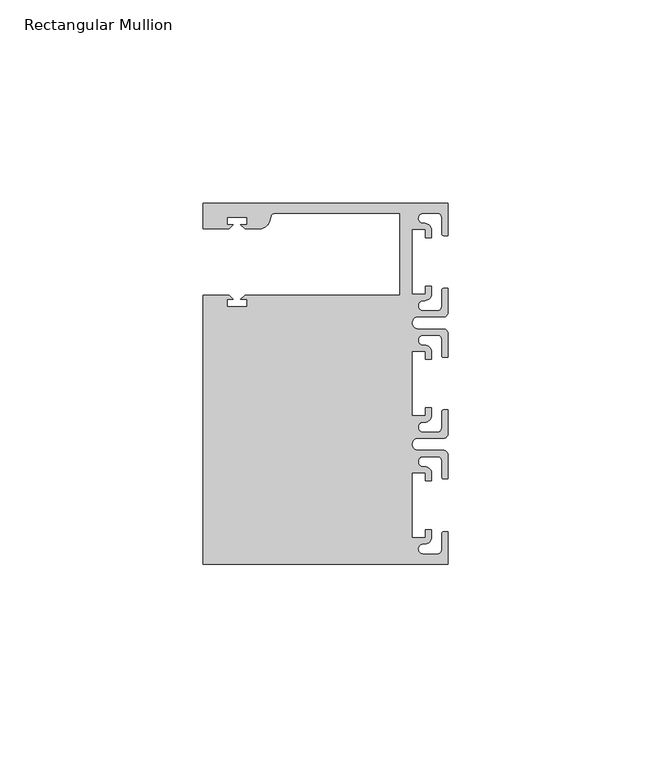
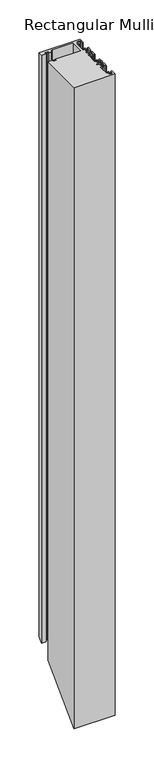
"""IFC4 building model written with IfcOpenShell, lengths in millimetres: member geometry, Rectangular Mullion."""

import ifcopenshell
import ifcopenshell.guid

model = None  # the IFC model being written
_history = None  # IfcOwnerHistory: only IFC2X3 demands one
_inside = {}  # id of a spatial element -> (the spatial element, [elements in it])
_under = {}  # id of a project, library or spatial element -> (it, [spatial elements below it])
_declared = {}  # id of a project -> (the project, [libraries it declares])
_typed = {}  # id of a type object -> (the type object, [elements of that type])
_made_of = {}  # id of a material, layer set ... -> (it, [elements and type objects made of it])


def new_model(schema):
    """Start an empty IFC model of exactly this schema.

    Asked for "IFC4X3", IfcOpenShell would pick the latest addendum, in which some entities
    have other attributes; the version numbers below select the first issue.
    IFC2X3 requires an IfcOwnerHistory on every rooted entity: one is made here for all.
    """
    global model, _history
    if schema == "IFC4X3":
        model = ifcopenshell.file(schema_version=(4, 3, 0, 0))
    else:
        model = ifcopenshell.file(schema=schema)
    _inside.clear()
    _under.clear()
    _declared.clear()
    _typed.clear()
    _made_of.clear()
    _history = None
    if model.schema == "IFC2X3":
        org = make("IfcOrganization", Name="unknown")
        user = make(
            "IfcPersonAndOrganization",
            ThePerson=make("IfcPerson", FamilyName="unknown"),
            TheOrganization=org,
        )
        app = make(
            "IfcApplication",
            ApplicationDeveloper=org,
            Version="unknown",
            ApplicationFullName="unknown",
            ApplicationIdentifier="unknown",
        )
        _history = make(
            "IfcOwnerHistory",
            OwningUser=user,
            OwningApplication=app,
            ChangeAction="ADDED",
            CreationDate=0,
        )
    return model


def make(cls, **values):
    """One entity of the class cls with the attributes given. An attribute that is None is left unset."""
    return model.create_entity(
        cls, **{name: value for name, value in values.items() if value is not None}
    )


def rooted(cls, **values):
    """An entity with a GlobalId (a new one), such as an element, a storey or a relation."""
    return make(cls, GlobalId=ifcopenshell.guid.new(), OwnerHistory=_history, **values)


def si_unit(unit_type, name, prefix=None):
    """IfcSIUnit, for example si_unit("LENGTHUNIT", "METRE", prefix="MILLI")."""
    return make("IfcSIUnit", UnitType=unit_type, Prefix=prefix, Name=name)


def assignment(units):
    """IfcUnitAssignment: the units of a project."""
    return None if units is None else make("IfcUnitAssignment", Units=units)


def point(xyz):
    """IfcCartesianPoint."""
    return None if xyz is None else make("IfcCartesianPoint", Coordinates=xyz)


def direction(xyz):
    """IfcDirection."""
    return None if xyz is None else make("IfcDirection", DirectionRatios=xyz)


def frame(location, z_axis=None, x_axis=None):
    """IfcAxis2Placement3D, a coordinate frame: its origin and axes. An axis left out is left unset."""
    return make(
        "IfcAxis2Placement3D",
        Location=point(location),
        Axis=direction(z_axis),
        RefDirection=direction(x_axis),
    )


def origin():
    """The frame at (0, 0, 0) with its axes left unset."""
    return frame((0.0, 0.0, 0.0))


def place(relative_to, where):
    """IfcLocalPlacement: puts the frame where relative to a parent placement (None: the world)."""
    return make(
        "IfcLocalPlacement", PlacementRelTo=relative_to, RelativePlacement=where
    )


def context(
    kind, dimensions, precision=None, world=None, true_north=None, identifier=None
):
    """IfcGeometricRepresentationContext, for example the 3D "Model" context."""
    return make(
        "IfcGeometricRepresentationContext",
        ContextIdentifier=identifier,
        ContextType=kind,
        CoordinateSpaceDimension=dimensions,
        Precision=precision,
        WorldCoordinateSystem=world,
        TrueNorth=true_north,
    )


def project(units=None, contexts=None):
    """IfcProject with its units and contexts."""
    return rooted(
        "IfcProject",
        Name="project",
        RepresentationContexts=contexts,
        UnitsInContext=assignment(units),
    )


def spatial(cls, under=None, at=None, **own):
    """A site, building, storey or space (cls), placed at a placement, below another one or the project."""
    s = rooted(cls, ObjectPlacement=at, **own)
    if under is not None:
        _under.setdefault(under.id(), (under, []))[1].append(s)
    return s


def polyline(points):
    """IfcPolyline through the points."""
    return make("IfcPolyline", Points=[point(p) for p in points])


def circle_curve(where, radius):
    """IfcCircle in the frame where."""
    return make("IfcCircle", Position=where, Radius=radius)


def ellipse_curve(where, semi_axis1, semi_axis2):
    """IfcEllipse in the frame where."""
    return make(
        "IfcEllipse", Position=where, SemiAxis1=semi_axis1, SemiAxis2=semi_axis2
    )


def shape(context_of_items, identifier, shape_type, items):
    """IfcShapeRepresentation: the items that make up one representation, for example the "Body"."""
    return make(
        "IfcShapeRepresentation",
        ContextOfItems=context_of_items,
        RepresentationIdentifier=identifier,
        RepresentationType=shape_type,
        Items=items,
    )


def source(mapping_origin, context_of_items, identifier, shape_type, items):
    """IfcRepresentationMap: a shape defined once, which mapped items show again and again."""
    return make(
        "IfcRepresentationMap",
        MappingOrigin=mapping_origin,
        MappedRepresentation=shape(context_of_items, identifier, shape_type, items),
    )


def transform(
    local_origin,
    x_axis=None,
    y_axis=None,
    z_axis=None,
    scale=None,
    scale2=None,
    scale3=None,
    uniform=True,
):
    """IfcCartesianTransformationOperator3D, or its non-uniform kind. x_axis, y_axis, z_axis: its Axis1, 2, 3."""
    if uniform:
        return make(
            "IfcCartesianTransformationOperator3D",
            Axis1=direction(x_axis),
            Axis2=direction(y_axis),
            LocalOrigin=point(local_origin),
            Scale=scale,
            Axis3=direction(z_axis),
        )
    return make(
        "IfcCartesianTransformationOperator3DnonUniform",
        Axis1=direction(x_axis),
        Axis2=direction(y_axis),
        LocalOrigin=point(local_origin),
        Scale=scale,
        Axis3=direction(z_axis),
        Scale2=scale2,
        Scale3=scale3,
    )


def mapped(mapping_source, mapping_target):
    """IfcMappedItem: shows the shape of a source again, moved by a transform."""
    return make(
        "IfcMappedItem", MappingSource=mapping_source, MappingTarget=mapping_target
    )


def made_of(thing, what):
    """Note that an element or type object is made of a material, layer set ...; save() writes the relation."""
    if what is not None:
        _made_of.setdefault(what.id(), (what, []))[1].append(thing)
    return thing


def element(
    cls,
    number,
    at=None,
    inside=None,
    cuts=None,
    type_object=None,
    material=None,
    context=None,
    identifier="Body",
    shape_type=None,
    held_by="IfcProductDefinitionShape",
    body=None,
    shapes=None,
    **own,
):
    """One element of the class cls, such as IfcWall. Its Tag is "e" and its number.

    at: its placement. inside: the storey or other place that contains it. cuts: it is an
    opening in that element (IfcRelVoidsElement). A single representation is given by context,
    identifier, shape_type and body (its items); several are given by shapes. held_by: the class
    of the entity that holds the representations. save() writes the other relations.
    """
    e = rooted(cls, Tag="e%d" % number, ObjectPlacement=at, **own)
    if body is not None:
        shapes = [shape(context, identifier, shape_type, body)]
    if shapes is not None:
        e.Representation = make(held_by, Representations=shapes)
    if inside is not None:
        _inside.setdefault(inside.id(), (inside, []))[1].append(e)
    if cuts is not None:
        rooted(
            "IfcRelVoidsElement", RelatingBuildingElement=cuts, RelatedOpeningElement=e
        )
    if type_object is not None:
        _typed.setdefault(type_object.id(), (type_object, []))[1].append(e)
    return made_of(e, material)


def aggregate(whole, parts):
    """IfcRelAggregates: a whole, such as a stair, and the parts it consists of."""
    return rooted("IfcRelAggregates", RelatingObject=whole, RelatedObjects=parts)


def save(model, path):
    """Write the relations noted so far, then the file.

    IfcRelAggregates (storeys below a building ...), IfcRelContainedInSpatialStructure (elements
    in a storey), IfcRelDefinesByType, IfcRelAssociatesMaterial and IfcRelDeclares: one each for
    every whole, place, type object, material and project.
    """
    for whole, parts in _under.values():
        aggregate(whole, parts)
    for where, things in _inside.values():
        rooted(
            "IfcRelContainedInSpatialStructure",
            RelatedElements=things,
            RelatingStructure=where,
        )
    for kind, things in _typed.values():
        rooted("IfcRelDefinesByType", RelatedObjects=things, RelatingType=kind)
    for what, things in _made_of.values():
        rooted("IfcRelAssociatesMaterial", RelatedObjects=things, RelatingMaterial=what)
    for by, libraries in _declared.values():
        rooted("IfcRelDeclares", RelatingContext=by, RelatedDefinitions=libraries)
    model.write(path)


def plane_surface(at):
    """IfcPlane: the flat surface through the origin of the frame at, square to its z axis."""
    return make("IfcPlane", Position=at)


def cylinder_surface(at, radius):
    """IfcCylindricalSurface: all points at the distance radius from the z axis of the frame at."""
    return make("IfcCylindricalSurface", Position=at, Radius=radius)


def revolved_surface(curve, axis_point, axis_direction):
    """IfcSurfaceOfRevolution: the curve turned about the line through axis_point along axis_direction."""
    return make(
        "IfcSurfaceOfRevolution",
        SweptCurve=make("IfcArbitraryOpenProfileDef", ProfileType="CURVE", Curve=curve),
        AxisPosition=make("IfcAxis1Placement", Location=point(axis_point), Axis=direction(axis_direction)),
    )


def advanced_brep(points, edges, surfaces, faces):
    """IfcAdvancedBrep: a solid bounded by faces that lie on surfaces and meet in shared edges.

    An edge is (start, end): straight between two places in points (the first is 0);
    or (start, end, curve); or (start, end, curve, False) where it runs against its curve.
    A face is (place in surfaces, loops), or (place, loops, False) where it looks against
    its surface's normal. A loop lists edges by number (the first is 1), with a minus sign
    where the edge is run from its end to its start. The first loop is the outer one.
    """
    corners = [point(p) for p in points]
    vertices = [make("IfcVertexPoint", VertexGeometry=c) for c in corners]
    made = []
    for start, end, *more in edges:
        made.append(
            make(
                "IfcEdgeCurve",
                EdgeStart=vertices[start],
                EdgeEnd=vertices[end],
                EdgeGeometry=more[0] if more else make("IfcPolyline", Points=[corners[start], corners[end]]),
                SameSense=more[1] if len(more) > 1 else True,
            )
        )
    hull = []
    for where, loops, *sense in faces:
        bounds = []
        for j, loop in enumerate(loops):
            ring = [make("IfcOrientedEdge", EdgeElement=made[abs(k) - 1], Orientation=k > 0) for k in loop]
            bounds.append(
                make(
                    "IfcFaceOuterBound" if j == 0 else "IfcFaceBound",
                    Bound=make("IfcEdgeLoop", EdgeList=ring),
                    Orientation=True,
                )
            )
        hull.append(make("IfcAdvancedFace", Bounds=bounds, FaceSurface=surfaces[where], SameSense=sense[0] if sense else True))
    return make("IfcAdvancedBrep", Outer=make("IfcClosedShell", CfsFaces=hull))


def rectangular_mullion_6251fd84(model_context):
    return source(origin(), model_context, "Body", "AdvancedBrep", [
        advanced_brep(
        [(0.0, 44.45, 0.0), (-60.3249977, 44.45, 0.0), (-60.3249977, 38.1499897, 0.0), (-53.8507531, 38.1499897, 0.0), (-52.8507405, 39.1500023, 0.0), (-54.4249778, 39.1500023, 0.0), (-54.4249778, 40.9498819, 0.0), (-49.4249831, 40.9498819, 0.0), (-49.4249831, 39.1500023, 0.0), (-50.999256, 39.1500023, 0.0), (-49.9992503, 38.1499966, 0.0), (-46.3137853, 38.1499966, 0.0), (-43.8989707, 40.002949, 0.0), (-43.5758588, 41.2088192, 0.0), (-42.6099329, 41.9500001, 0.0), (-11.8, 41.95, 0.0), (-11.8, 21.7499959, 0.0), (-49.9992434, 21.7499959, 0.0), (-50.999256, 20.7499834, 0.0), (-49.4250186, 20.7499834, 0.0), (-49.4250186, 18.949936, 0.0), (-54.4250134, 18.949936, 0.0), (-54.4250134, 20.7499834, 0.0), (-52.8507405, 20.7499834, 0.0), (-53.8507562, 21.749999, 0.0), (-60.325, 21.749999, 0.0), (-60.325, -44.45, 0.0), (0.0, -44.45, 0.0), (0.0, -36.4500318, 0.0), (-1.0, -36.4500318, 0.0), (-1.5, -36.9500318, 0.0), (-1.5, -40.95, 0.0), (-2.5, -41.95, 0.0), (-6.0499986, -41.95, 0.0), (-5.9027291, -39.4587029, 0.0), (-4.0000054, -37.7499972, 0.0), (-4.0000054, -35.9500318, 0.0), (-5.5, -35.9500318, 0.0), (-5.5, -37.9499972, 0.0), (-8.8585786, -37.9499972, 0.0), (-8.8585786, -21.9499956, 0.0), (-5.5, -21.9499956, 0.0), (-5.5, -23.9499611, 0.0), (-3.9999946, -23.9499611, 0.0), (-3.9999946, -22.0272972, 0.0), (-6.0499986, -20.4499956, 0.0), (-6.0499986, -17.9499929, 0.0), (-2.5, -17.9499929, 0.0), (-1.5, -18.9499929, 0.0), (-1.5, -22.9499611, 0.0), (-1.0, -23.4499611, 0.0), (0.0, -23.4499611, 0.0), (0.0, -17.4499929, 0.0), (-1.0, -16.4499929, 0.0), (-7.3, -16.4499929, 0.0), (-7.3046244, -13.45, 0.0), (-1.0, -13.45, 0.0), (0.0, -12.45, 0.0), (0.0, -6.4500354, 0.0), (-0.9999964, -6.4500354, 0.0), (-1.4999964, -6.9500354, 0.0), (-1.4999964, -10.95, 0.0), (-2.4999964, -11.95, 0.0), (-6.0499986, -11.95, 0.0), (-6.0499986, -9.4499972, 0.0), (-4.0000054, -7.7499972, 0.0), (-4.0000054, -5.9500318, 0.0), (-5.5, -5.9500318, 0.0), (-5.5, -7.9499972, 0.0), (-8.8, -7.9499972, 0.0), (-8.8, 7.9499972, 0.0), (-5.5, 7.9499972, 0.0), (-5.5, 5.9500318, 0.0), (-4.0000054, 5.9500318, 0.0), (-4.0000054, 7.7499972, 0.0), (-6.0499986, 9.4499972, 0.0), (-6.0499986, 11.95, 0.0), (-2.4999964, 11.95, 0.0), (-1.4999964, 10.95, 0.0), (-1.4999964, 6.9500354, 0.0), (-0.9999964, 6.4500354, 0.0), (0.0, 6.4500354, 0.0), (0.0, 12.45, 0.0), (-1.0, 13.45, 0.0), (-7.3046244, 13.45, 0.0), (-7.3, 16.4499929, 0.0), (-1.0, 16.4499929, 0.0), (0.0, 17.4499929, 0.0), (0.0, 23.4499611, 0.0), (-1.0, 23.4499611, 0.0), (-1.5, 22.9499611, 0.0), (-1.5, 18.9499929, 0.0), (-2.5, 17.9499929, 0.0), (-6.0499986, 17.9499929, 0.0), (-6.0499986, 20.4499956, 0.0), (-3.9999946, 22.0272972, 0.0), (-3.9999946, 23.9499611, 0.0), (-5.5, 23.9499611, 0.0), (-5.5, 21.9499956, 0.0), (-8.8585786, 21.9499956, 0.0), (-8.8585786, 37.9499972, 0.0), (-5.5, 37.9499972, 0.0), (-5.5, 35.9500318, 0.0), (-4.0000054, 35.9500318, 0.0), (-4.0000054, 37.7499972, 0.0), (-5.9027291, 39.4587029, 0.0), (-6.0499986, 41.95, 0.0), (-2.5, 41.95, 0.0), (-1.5, 40.95, 0.0), (-1.5, 36.9500318, 0.0), (-1.0, 36.4500318, 0.0), (0.0, 36.4500318, 0.0), (0.0, 44.45, -908.05), (-60.3249977, 44.45, -908.05), (-60.3249977, 38.1499897, -914.3500103), (-53.8507531, 38.1499897, -914.3500103), (-52.8507405, 39.1500023, -913.3499977), (-54.4249778, 39.1500023, -913.3499977), (-54.4249778, 40.9498819, -911.5501181), (-49.4249831, 40.9498819, -911.5501181), (-49.4249831, 39.1500023, -913.3499977), (-50.999256, 39.1500023, -913.3499977), (-49.9992503, 38.1499966, -914.3500034), (-46.3137853, 38.1499966, -914.3500034), (-43.8989707, 40.002949, -912.497051), (-43.5758588, 41.2088192, -911.2911808), (-42.6099329, 41.9500001, -910.5499999), (-11.8, 41.95, -910.55), (-11.8, 21.7499959, -930.7500041), (-49.9992434, 21.7499959, -930.7500041), (-50.999256, 20.7499834, -931.7500166), (-49.4250186, 20.7499834, -931.7500166), (-49.4250186, 18.949936, -933.550064), (-54.4250134, 18.949936, -933.550064), (-54.4250134, 20.7499834, -931.7500166), (-52.8507405, 20.7499834, -931.7500166), (-53.8507562, 21.749999, -930.750001), (-60.325, 21.749999, -930.750001), (-60.325, -44.45, -996.95), (0.0, -44.45, -996.95), (0.0, -36.4500318, -988.9500318), (-1.0, -36.4500318, -988.9500318), (-1.5, -36.9500318, -989.4500318), (-1.5, -40.95, -993.45), (-2.5, -41.95, -994.45), (-6.0499986, -41.95, -994.45), (-5.9027291, -39.4587029, -991.9587029), (-4.0000054, -37.7499972, -990.2499972), (-4.0000054, -35.9500318, -988.4500318), (-5.5, -35.9500318, -988.4500318), (-5.5, -37.9499972, -990.4499972), (-8.8585786, -37.9499972, -990.4499972), (-8.8585786, -21.9499956, -974.4499956), (-5.5, -21.9499956, -974.4499956), (-5.5, -23.9499611, -976.4499611), (-3.9999946, -23.9499611, -976.4499611), (-3.9999946, -22.0272972, -974.5272972), (-6.0499986, -20.4499956, -972.9499956), (-6.0499986, -17.9499929, -970.4499929), (-2.5, -17.9499929, -970.4499929), (-1.5, -18.9499929, -971.4499929), (-1.5, -22.9499611, -975.4499611), (-1.0, -23.4499611, -975.9499611), (0.0, -23.4499611, -975.9499611), (0.0, -17.4499929, -969.9499929), (-1.0, -16.4499929, -968.9499929), (-7.3, -16.4499929, -968.9499929), (-7.3046244, -13.45, -965.95), (-1.0, -13.45, -965.95), (0.0, -12.45, -964.95), (0.0, -6.4500354, -958.9500354), (-0.9999964, -6.4500354, -958.9500354), (-1.4999964, -6.9500354, -959.4500354), (-1.4999964, -10.95, -963.45), (-2.4999964, -11.95, -964.45), (-6.0499986, -11.95, -964.45), (-6.0499986, -9.4499972, -961.9499972), (-4.0000054, -7.7499972, -960.2499972), (-4.0000054, -5.9500318, -958.4500318), (-5.5, -5.9500318, -958.4500318), (-5.5, -7.9499972, -960.4499972), (-8.8, -7.9499972, -960.4499972), (-8.8, 7.9499972, -944.5500028), (-5.5, 7.9499972, -944.5500028), (-5.5, 5.9500318, -946.5499682), (-4.0000054, 5.9500318, -946.5499682), (-4.0000054, 7.7499972, -944.7500028), (-6.0499986, 9.4499972, -943.0500028), (-6.0499986, 11.95, -940.55), (-2.4999964, 11.95, -940.55), (-1.4999964, 10.95, -941.55), (-1.4999964, 6.9500354, -945.5499646), (-0.9999964, 6.4500354, -946.0499646), (0.0, 6.4500354, -946.0499646), (0.0, 12.45, -940.05), (-1.0, 13.45, -939.05), (-7.3046244, 13.45, -939.05), (-7.3, 16.4499929, -936.0500071), (-1.0, 16.4499929, -936.0500071), (0.0, 17.4499929, -935.0500071), (0.0, 23.4499611, -929.0500389), (-1.0, 23.4499611, -929.0500389), (-1.5, 22.9499611, -929.5500389), (-1.5, 18.9499929, -933.5500071), (-2.5, 17.9499929, -934.5500071), (-6.0499986, 17.9499929, -934.5500071), (-6.0499986, 20.4499956, -932.0500044), (-3.9999946, 22.0272972, -930.4727028), (-3.9999946, 23.9499611, -928.5500389), (-5.5, 23.9499611, -928.5500389), (-5.5, 21.9499956, -930.5500044), (-8.8585786, 21.9499956, -930.5500044), (-8.8585786, 37.9499972, -914.5500028), (-5.5, 37.9499972, -914.5500028), (-5.5, 35.9500318, -916.5499682), (-4.0000054, 35.9500318, -916.5499682), (-4.0000054, 37.7499972, -914.7500028), (-5.9027291, 39.4587029, -913.0412971), (-6.0499986, 41.95, -910.55), (-2.5, 41.95, -910.55), (-1.5, 40.95, -911.55), (-1.5, 36.9500318, -915.5499682), (-1.0, 36.4500318, -916.0499682), (0.0, 36.4500318, -916.0499682)],
        [
            (0, 1),
            (1, 2),
            (2, 3),
            (3, 4),
            (4, 5),
            (5, 6),
            (6, 7),
            (7, 8),
            (8, 9),
            (9, 10),
            (10, 11),
            (11, 12, circle_curve(frame((-46.3137853, 40.6499966, 0.0), z_axis=(0.0, 0.0, 1.0), x_axis=(0.0, -1.0, 0.0)), 2.5)),
            (12, 13),
            (13, 14, circle_curve(frame((-42.6099329, 40.9500001, 0.0), z_axis=(0.0, 0.0, -1.0), x_axis=(0.0, -1.0, 0.0)), 1.0)),
            (14, 15),
            (15, 16),
            (16, 17),
            (17, 18),
            (18, 19),
            (19, 20),
            (20, 21),
            (21, 22),
            (22, 23),
            (23, 24),
            (24, 25),
            (25, 26),
            (26, 27),
            (27, 28),
            (28, 29),
            (29, 30, circle_curve(frame((-1.0, -36.9500318, 0.0), z_axis=(0.0, 0.0, 1.0), x_axis=(0.0, 1.0, 0.0)), 0.5)),
            (30, 31),
            (31, 32, circle_curve(frame((-2.5, -40.95, 0.0), z_axis=(0.0, 0.0, -1.0), x_axis=(0.0, 1.0, 0.0)), 1.0)),
            (32, 33),
            (33, 34, circle_curve(frame((-6.0499986, -40.6999986, 0.0), z_axis=(0.0, 0.0, -1.0), x_axis=(0.0, 1.0, 0.0)), 1.2500014)),
            (34, 35, circle_curve(frame((-5.7186029, -37.7499972, 0.0), z_axis=(0.0, 0.0, 1.0), x_axis=(1.0, 0.0, 0.0)), 1.7185975)),
            (35, 36),
            (36, 37),
            (37, 38),
            (38, 39),
            (39, 40),
            (40, 41),
            (41, 42),
            (42, 43),
            (43, 44),
            (44, 45, circle_curve(frame((-5.7543344, -22.1865598, 0.0), z_axis=(0.0, 0.0, 1.0), x_axis=(1.0, 0.0, 0.0)), 1.761554)),
            (45, 46, circle_curve(frame((-6.0499986, -19.1999942, 0.0), z_axis=(0.0, 0.0, -1.0), x_axis=(0.0, 1.0, 0.0)), 1.2500014)),
            (46, 47),
            (47, 48, circle_curve(frame((-2.5, -18.9499929, 0.0), z_axis=(0.0, 0.0, -1.0), x_axis=(0.0, 1.0, 0.0)), 1.0)),
            (48, 49),
            (49, 50, circle_curve(frame((-1.0, -22.9499611, 0.0), z_axis=(0.0, 0.0, 1.0), x_axis=(0.0, 1.0, 0.0)), 0.5)),
            (50, 51),
            (51, 52),
            (52, 53, circle_curve(frame((-1.0, -17.4499929, 0.0), z_axis=(0.0, 0.0, 1.0), x_axis=(0.0, 1.0, 0.0)), 1.0)),
            (53, 54),
            (54, 55, circle_curve(frame((-7.3, -14.9499929, 0.0), z_axis=(0.0, 0.0, -1.0), x_axis=(0.0, 1.0, 0.0)), 1.5)),
            (55, 56),
            (56, 57, circle_curve(frame((-1.0, -12.45, 0.0), z_axis=(0.0, 0.0, 1.0), x_axis=(0.0, 1.0, 0.0)), 1.0)),
            (57, 58),
            (58, 59),
            (59, 60, circle_curve(frame((-0.9999964, -6.9500354, 0.0), z_axis=(0.0, 0.0, 1.0), x_axis=(0.0, 1.0, 0.0)), 0.5)),
            (60, 61),
            (61, 62, circle_curve(frame((-2.4999964, -10.95, 0.0), z_axis=(0.0, 0.0, -1.0), x_axis=(0.0, 1.0, 0.0)), 1.0)),
            (62, 63),
            (63, 64, circle_curve(frame((-6.0499986, -10.6999986, 0.0), z_axis=(0.0, 0.0, -1.0), x_axis=(0.0, 1.0, 0.0)), 1.2500014)),
            (64, 65, circle_curve(frame((-5.7298824, -7.7499972, 0.0), z_axis=(0.0, 0.0, 1.0), x_axis=(1.0, 0.0, 0.0)), 1.729877)),
            (65, 66),
            (66, 67),
            (67, 68),
            (68, 69),
            (69, 70),
            (70, 71),
            (71, 72),
            (72, 73),
            (73, 74),
            (74, 75, circle_curve(frame((-5.7298824, 7.7499972, 0.0), z_axis=(0.0, 0.0, 1.0), x_axis=(1.0, 0.0, 0.0)), 1.729877)),
            (75, 76, circle_curve(frame((-6.0499986, 10.6999986, 0.0), z_axis=(0.0, 0.0, -1.0), x_axis=(0.0, -1.0, 0.0)), 1.2500014)),
            (76, 77),
            (77, 78, circle_curve(frame((-2.4999964, 10.95, 0.0), z_axis=(0.0, 0.0, -1.0), x_axis=(0.0, -1.0, 0.0)), 1.0)),
            (78, 79),
            (79, 80, circle_curve(frame((-0.9999964, 6.9500354, 0.0), z_axis=(0.0, 0.0, 1.0), x_axis=(0.0, -1.0, 0.0)), 0.5)),
            (80, 81),
            (81, 82),
            (82, 83, circle_curve(frame((-1.0, 12.45, 0.0), z_axis=(0.0, 0.0, 1.0), x_axis=(0.0, -1.0, 0.0)), 1.0)),
            (83, 84),
            (84, 85, circle_curve(frame((-7.3, 14.9499929, 0.0), z_axis=(0.0, 0.0, -1.0), x_axis=(0.0, -1.0, 0.0)), 1.5)),
            (85, 86),
            (86, 87, circle_curve(frame((-1.0, 17.4499929, 0.0), z_axis=(0.0, 0.0, 1.0), x_axis=(0.0, -1.0, 0.0)), 1.0)),
            (87, 88),
            (88, 89),
            (89, 90, circle_curve(frame((-1.0, 22.9499611, 0.0), z_axis=(0.0, 0.0, 1.0), x_axis=(0.0, -1.0, 0.0)), 0.5)),
            (90, 91),
            (91, 92, circle_curve(frame((-2.5, 18.9499929, 0.0), z_axis=(0.0, 0.0, -1.0), x_axis=(0.0, -1.0, 0.0)), 1.0)),
            (92, 93),
            (93, 94, circle_curve(frame((-6.0499986, 19.1999942, 0.0), z_axis=(0.0, 0.0, -1.0), x_axis=(0.0, -1.0, 0.0)), 1.2500014)),
            (94, 95, circle_curve(frame((-5.7543344, 22.1865598, 0.0), z_axis=(0.0, 0.0, 1.0), x_axis=(1.0, 0.0, 0.0)), 1.761554)),
            (95, 96),
            (96, 97),
            (97, 98),
            (98, 99),
            (99, 100),
            (100, 101),
            (101, 102),
            (102, 103),
            (103, 104),
            (104, 105, circle_curve(frame((-5.7186029, 37.7499972, 0.0), z_axis=(0.0, 0.0, 1.0), x_axis=(1.0, 0.0, 0.0)), 1.7185975)),
            (105, 106, circle_curve(frame((-6.0499986, 40.6999986, 0.0), z_axis=(0.0, 0.0, -1.0), x_axis=(0.0, -1.0, 0.0)), 1.2500014)),
            (106, 107),
            (107, 108, circle_curve(frame((-2.5, 40.95, 0.0), z_axis=(0.0, 0.0, -1.0), x_axis=(0.0, -1.0, 0.0)), 1.0)),
            (108, 109),
            (109, 110, circle_curve(frame((-1.0, 36.9500318, 0.0), z_axis=(0.0, 0.0, 1.0), x_axis=(0.0, -1.0, 0.0)), 0.5)),
            (110, 111),
            (111, 0),
            (0, 112),
            (112, 113),
            (113, 1),
            (113, 114),
            (114, 2),
            (114, 115),
            (115, 3),
            (115, 116),
            (116, 4),
            (116, 117),
            (117, 5),
            (117, 118),
            (118, 6),
            (118, 119),
            (119, 7),
            (119, 120),
            (120, 8),
            (120, 121),
            (121, 9),
            (121, 122),
            (122, 10),
            (122, 123),
            (123, 11),
            (123, 124, ellipse_curve(frame((-46.3137853, 40.6499966, -911.8500034), z_axis=(0.0, -0.7071067811865475, 0.7071067811865476), x_axis=(0.0, 0.7071067811865476, 0.7071067811865476)), 3.5355339, 2.5)),
            (124, 12),
            (124, 125),
            (125, 13),
            (125, 126, ellipse_curve(frame((-42.6099329, 40.9500001, -911.5499999), z_axis=(0.0, 0.7071067811865475, -0.7071067811865476), x_axis=(0.0, -0.7071067811865476, -0.7071067811865476)), 1.4142136, 1.0)),
            (126, 14),
            (126, 127),
            (127, 15),
            (127, 128),
            (128, 16),
            (128, 129),
            (129, 17),
            (129, 130),
            (130, 18),
            (130, 131),
            (131, 19),
            (131, 132),
            (132, 20),
            (132, 133),
            (133, 21),
            (133, 134),
            (134, 22),
            (134, 135),
            (135, 23),
            (135, 136),
            (136, 24),
            (136, 137),
            (137, 25),
            (137, 138),
            (138, 26),
            (138, 139),
            (139, 27),
            (139, 140),
            (140, 28),
            (140, 141),
            (141, 29),
            (141, 142, ellipse_curve(frame((-1.0, -36.9500318, -989.4500318), z_axis=(0.0, -0.7071067811865475, 0.7071067811865476), x_axis=(0.0, 0.7071067811865476, 0.7071067811865476)), 0.7071068, 0.5)),
            (142, 30),
            (142, 143),
            (143, 31),
            (143, 144, ellipse_curve(frame((-2.5, -40.95, -993.45), z_axis=(0.0, 0.7071067811865475, -0.7071067811865476), x_axis=(0.0, -0.7071067811865476, -0.7071067811865476)), 1.4142136, 1.0)),
            (144, 32),
            (144, 145),
            (145, 33),
            (145, 146, ellipse_curve(frame((-6.0499986, -40.6999986, -993.1999986), z_axis=(0.0, 0.7071067811865475, -0.7071067811865476), x_axis=(0.0, -0.7071067811865476, -0.7071067811865476)), 1.7677689, 1.2500014)),
            (146, 34),
            (146, 147, ellipse_curve(frame((-5.7186029, -37.7499972, -990.2499972), z_axis=(0.0, -0.7071067811865475, 0.7071067811865476), x_axis=(0.0, 0.7071067811865476, 0.7071067811865476)), 2.4304639, 1.7185975)),
            (147, 35),
            (147, 148),
            (148, 36),
            (148, 149),
            (149, 37),
            (149, 150),
            (150, 38),
            (150, 151),
            (151, 39),
            (151, 152),
            (152, 40),
            (152, 153),
            (153, 41),
            (153, 154),
            (154, 42),
            (154, 155),
            (155, 43),
            (155, 156),
            (156, 44),
            (156, 157, ellipse_curve(frame((-5.7543344, -22.1865598, -974.6865598), z_axis=(0.0, -0.7071067811865475, 0.7071067811865476), x_axis=(0.0, 0.7071067811865476, 0.7071067811865476)), 2.4912135, 1.761554)),
            (157, 45),
            (157, 158, ellipse_curve(frame((-6.0499986, -19.1999942, -971.6999942), z_axis=(0.0, 0.7071067811865475, -0.7071067811865476), x_axis=(0.0, -0.7071067811865476, -0.7071067811865476)), 1.7677689, 1.2500014)),
            (158, 46),
            (158, 159),
            (159, 47),
            (159, 160, ellipse_curve(frame((-2.5, -18.9499929, -971.4499929), z_axis=(0.0, 0.7071067811865475, -0.7071067811865476), x_axis=(0.0, -0.7071067811865476, -0.7071067811865476)), 1.4142136, 1.0)),
            (160, 48),
            (160, 161),
            (161, 49),
            (161, 162, ellipse_curve(frame((-1.0, -22.9499611, -975.4499611), z_axis=(0.0, -0.7071067811865475, 0.7071067811865476), x_axis=(0.0, 0.7071067811865476, 0.7071067811865476)), 0.7071068, 0.5)),
            (162, 50),
            (162, 163),
            (163, 51),
            (163, 164),
            (164, 52),
            (164, 165, ellipse_curve(frame((-1.0, -17.4499929, -969.9499929), z_axis=(0.0, -0.7071067811865475, 0.7071067811865476), x_axis=(0.0, 0.7071067811865476, 0.7071067811865476)), 1.4142136, 1.0)),
            (165, 53),
            (165, 166),
            (166, 54),
            (166, 167, ellipse_curve(frame((-7.3, -14.9499929, -967.4499929), z_axis=(0.0, 0.7071067811865475, -0.7071067811865476), x_axis=(0.0, -0.7071067811865476, -0.7071067811865476)), 2.1213203, 1.5)),
            (167, 55),
            (167, 168),
            (168, 56),
            (168, 169, ellipse_curve(frame((-1.0, -12.45, -964.95), z_axis=(0.0, -0.7071067811865475, 0.7071067811865476), x_axis=(0.0, 0.7071067811865476, 0.7071067811865476)), 1.4142136, 1.0)),
            (169, 57),
            (169, 170),
            (170, 58),
            (170, 171),
            (171, 59),
            (171, 172, ellipse_curve(frame((-0.9999964, -6.9500354, -959.4500354), z_axis=(0.0, -0.7071067811865475, 0.7071067811865476), x_axis=(0.0, 0.7071067811865476, 0.7071067811865476)), 0.7071068, 0.5)),
            (172, 60),
            (172, 173),
            (173, 61),
            (173, 174, ellipse_curve(frame((-2.4999964, -10.95, -963.45), z_axis=(0.0, 0.7071067811865475, -0.7071067811865476), x_axis=(0.0, -0.7071067811865476, -0.7071067811865476)), 1.4142136, 1.0)),
            (174, 62),
            (174, 175),
            (175, 63),
            (175, 176, ellipse_curve(frame((-6.0499986, -10.6999986, -963.1999986), z_axis=(0.0, 0.7071067811865475, -0.7071067811865476), x_axis=(0.0, -0.7071067811865476, -0.7071067811865476)), 1.7677689, 1.2500014)),
            (176, 64),
            (176, 177, ellipse_curve(frame((-5.7298824, -7.7499972, -960.2499972), z_axis=(0.0, -0.7071067811865475, 0.7071067811865476), x_axis=(0.0, 0.7071067811865476, 0.7071067811865476)), 2.4464155, 1.729877)),
            (177, 65),
            (177, 178),
            (178, 66),
            (178, 179),
            (179, 67),
            (179, 180),
            (180, 68),
            (180, 181),
            (181, 69),
            (181, 182),
            (182, 70),
            (182, 183),
            (183, 71),
            (183, 184),
            (184, 72),
            (184, 185),
            (185, 73),
            (185, 186),
            (186, 74),
            (186, 187, ellipse_curve(frame((-5.7298824, 7.7499972, -944.7500028), z_axis=(0.0, -0.7071067811865475, 0.7071067811865476), x_axis=(0.0, 0.7071067811865476, 0.7071067811865476)), 2.4464155, 1.729877)),
            (187, 75),
            (187, 188, ellipse_curve(frame((-6.0499986, 10.6999986, -941.8000014), z_axis=(0.0, 0.7071067811865475, -0.7071067811865476), x_axis=(0.0, -0.7071067811865476, -0.7071067811865476)), 1.7677689, 1.2500014)),
            (188, 76),
            (188, 189),
            (189, 77),
            (189, 190, ellipse_curve(frame((-2.4999964, 10.95, -941.55), z_axis=(0.0, 0.7071067811865475, -0.7071067811865476), x_axis=(0.0, -0.7071067811865476, -0.7071067811865476)), 1.4142136, 1.0)),
            (190, 78),
            (190, 191),
            (191, 79),
            (191, 192, ellipse_curve(frame((-0.9999964, 6.9500354, -945.5499646), z_axis=(0.0, -0.7071067811865475, 0.7071067811865476), x_axis=(0.0, 0.7071067811865476, 0.7071067811865476)), 0.7071068, 0.5)),
            (192, 80),
            (192, 193),
            (193, 81),
            (193, 194),
            (194, 82),
            (194, 195, ellipse_curve(frame((-1.0, 12.45, -940.05), z_axis=(0.0, -0.7071067811865475, 0.7071067811865476), x_axis=(0.0, 0.7071067811865476, 0.7071067811865476)), 1.4142136, 1.0)),
            (195, 83),
            (195, 196),
            (196, 84),
            (196, 197, ellipse_curve(frame((-7.3, 14.9499929, -937.5500071), z_axis=(0.0, 0.7071067811865475, -0.7071067811865476), x_axis=(0.0, -0.7071067811865476, -0.7071067811865476)), 2.1213203, 1.5)),
            (197, 85),
            (197, 198),
            (198, 86),
            (198, 199, ellipse_curve(frame((-1.0, 17.4499929, -935.0500071), z_axis=(0.0, -0.7071067811865475, 0.7071067811865476), x_axis=(0.0, 0.7071067811865476, 0.7071067811865476)), 1.4142136, 1.0)),
            (199, 87),
            (199, 200),
            (200, 88),
            (200, 201),
            (201, 89),
            (201, 202, ellipse_curve(frame((-1.0, 22.9499611, -929.5500389), z_axis=(0.0, -0.7071067811865475, 0.7071067811865476), x_axis=(0.0, 0.7071067811865476, 0.7071067811865476)), 0.7071068, 0.5)),
            (202, 90),
            (202, 203),
            (203, 91),
            (203, 204, ellipse_curve(frame((-2.5, 18.9499929, -933.5500071), z_axis=(0.0, 0.7071067811865475, -0.7071067811865476), x_axis=(0.0, -0.7071067811865476, -0.7071067811865476)), 1.4142136, 1.0)),
            (204, 92),
            (204, 205),
            (205, 93),
            (205, 206, ellipse_curve(frame((-6.0499986, 19.1999942, -933.3000058), z_axis=(0.0, 0.7071067811865475, -0.7071067811865476), x_axis=(0.0, -0.7071067811865476, -0.7071067811865476)), 1.7677689, 1.2500014)),
            (206, 94),
            (206, 207, ellipse_curve(frame((-5.7543344, 22.1865598, -930.3134402), z_axis=(0.0, -0.7071067811865475, 0.7071067811865476), x_axis=(0.0, 0.7071067811865476, 0.7071067811865476)), 2.4912135, 1.761554)),
            (207, 95),
            (207, 208),
            (208, 96),
            (208, 209),
            (209, 97),
            (209, 210),
            (210, 98),
            (210, 211),
            (211, 99),
            (211, 212),
            (212, 100),
            (212, 213),
            (213, 101),
            (213, 214),
            (214, 102),
            (214, 215),
            (215, 103),
            (215, 216),
            (216, 104),
            (216, 217, ellipse_curve(frame((-5.7186029, 37.7499972, -914.7500028), z_axis=(0.0, -0.7071067811865475, 0.7071067811865476), x_axis=(0.0, 0.7071067811865476, 0.7071067811865476)), 2.4304639, 1.7185975)),
            (217, 105),
            (217, 218, ellipse_curve(frame((-6.0499986, 40.6999986, -911.8000014), z_axis=(0.0, 0.7071067811865475, -0.7071067811865476), x_axis=(0.0, -0.7071067811865476, -0.7071067811865476)), 1.7677689, 1.2500014)),
            (218, 106),
            (218, 219),
            (219, 107),
            (219, 220, ellipse_curve(frame((-2.5, 40.95, -911.55), z_axis=(0.0, 0.7071067811865475, -0.7071067811865476), x_axis=(0.0, -0.7071067811865476, -0.7071067811865476)), 1.4142136, 1.0)),
            (220, 108),
            (220, 221),
            (221, 109),
            (221, 222, ellipse_curve(frame((-1.0, 36.9500318, -915.5499682), z_axis=(0.0, -0.7071067811865475, 0.7071067811865476), x_axis=(0.0, 0.7071067811865476, 0.7071067811865476)), 0.7071068, 0.5)),
            (222, 110),
            (222, 223),
            (223, 111),
            (223, 112),
        ],
        [
            plane_surface(frame((0.0, -74.9326906, 0.0), z_axis=(0.0, 0.0, 1.0), x_axis=(-1.0, 0.0, 0.0))),
            plane_surface(frame((0.0, 44.45, 0.0), z_axis=(0.0, 1.0, 0.0), x_axis=(0.0, 0.0, -1.0))),
            plane_surface(frame((-60.3249977, 44.45, 0.0), z_axis=(-1.0, 0.0, 0.0), x_axis=(0.0, 0.0, -1.0))),
            plane_surface(frame((-60.3249977, 38.1499897, 0.0), z_axis=(0.0, -1.0, 0.0), x_axis=(0.0, 0.0, -1.0))),
            plane_surface(frame((-53.8507531, 38.1499897, 0.0), z_axis=(0.7071067811865492, -0.7071067811865459, 0.0), x_axis=(0.0, 0.0, -1.0))),
            plane_surface(frame((-52.8507405, 39.1500023, 0.0), z_axis=(0.0, 1.0, 0.0), x_axis=(0.0, 0.0, -1.0))),
            plane_surface(frame((-54.4249778, 39.1500023, 0.0), z_axis=(1.0, 0.0, 0.0), x_axis=(0.0, 0.0, -1.0))),
            plane_surface(frame((-54.4249778, 40.9498819, 0.0), z_axis=(0.0, -1.0, 0.0), x_axis=(0.0, 0.0, -1.0))),
            plane_surface(frame((-49.4249831, 40.9498819, 0.0), z_axis=(-1.0, 0.0, 0.0), x_axis=(0.0, 0.0, -1.0))),
            plane_surface(frame((-49.4249831, 39.1500023, 0.0), z_axis=(0.0, 1.0, 0.0), x_axis=(0.0, 0.0, -1.0))),
            plane_surface(frame((-50.999256, 39.1500023, 0.0), z_axis=(-0.7071067811865469, -0.7071067811865481, 0.0), x_axis=(0.0, 0.0, -1.0))),
            plane_surface(frame((-49.9992503, 38.1499966, 0.0), z_axis=(0.0, -1.0, 0.0), x_axis=(0.0, 0.0, -1.0))),
            cylinder_surface(frame((-46.3137853, 40.6499966, 0.0), z_axis=(0.0, 0.0, 1.0), x_axis=(0.0, -1.0, 0.0)), 2.5),
            plane_surface(frame((-43.8989707, 40.002949, 0.0), z_axis=(0.965925826289163, -0.2588190451021675, 0.0), x_axis=(0.0, 0.0, -1.0))),
            revolved_surface(polyline([(-42.6099329, 39.9500001, -912.5499999266062), (-42.6099329, 39.9500001, 0.0)]), (-42.6099329, 40.9500001, 0.0), (0.0, 0.0, -1.0)),
            plane_surface(frame((-42.6099329, 41.95, 0.0), z_axis=(0.0, -1.0, 0.0), x_axis=(0.0, 0.0, -1.0))),
            plane_surface(frame((-11.8, 41.95, 0.0), z_axis=(-1.0, 0.0, 0.0), x_axis=(0.0, 0.0, -1.0))),
            plane_surface(frame((-11.8, 21.7499959, 0.0), z_axis=(0.0, 1.0, 0.0), x_axis=(0.0, 0.0, -1.0))),
            plane_surface(frame((-49.9992434, 21.7499959, 0.0), z_axis=(-0.7071067811865492, 0.7071067811865459, 0.0), x_axis=(0.0, 0.0, -1.0))),
            plane_surface(frame((-50.999256, 20.7499834, 0.0), z_axis=(0.0, -1.0, 0.0), x_axis=(0.0, 0.0, -1.0))),
            plane_surface(frame((-49.4250186, 20.7499834, 0.0), z_axis=(-1.0, 0.0, 0.0), x_axis=(0.0, 0.0, -1.0))),
            plane_surface(frame((-49.4250186, 18.949936, 0.0), z_axis=(0.0, 1.0, 0.0), x_axis=(0.0, 0.0, -1.0))),
            plane_surface(frame((-54.4250134, 18.949936, 0.0), z_axis=(1.0, 0.0, 0.0), x_axis=(0.0, 0.0, -1.0))),
            plane_surface(frame((-54.4250134, 20.7499834, 0.0), z_axis=(0.0, -1.0, 0.0), x_axis=(0.0, 0.0, -1.0))),
            plane_surface(frame((-52.8507405, 20.7499834, 0.0), z_axis=(0.7071067811865472, 0.7071067811865479, 0.0), x_axis=(0.0, 0.0, -1.0))),
            plane_surface(frame((-53.8507562, 21.749999, 0.0), z_axis=(0.0, 1.0, 0.0), x_axis=(0.0, 0.0, -1.0))),
            plane_surface(frame((-60.325, 21.749999, 0.0), z_axis=(-1.0, 0.0, 0.0), x_axis=(0.0, 0.0, -1.0))),
            plane_surface(frame((-60.325, -44.45, 0.0), z_axis=(0.0, -1.0, 0.0), x_axis=(0.0, 0.0, -1.0))),
            plane_surface(frame((0.0, -44.45, 0.0), z_axis=(1.0, 0.0, 0.0), x_axis=(0.0, 0.0, -1.0))),
            plane_surface(frame((0.0, -36.4500318, 0.0), z_axis=(0.0, 1.0, 0.0), x_axis=(0.0, 0.0, -1.0))),
            cylinder_surface(frame((-1.0, -36.9500318, 0.0), z_axis=(0.0, 0.0, 1.0), x_axis=(0.0, 1.0, 0.0)), 0.5),
            plane_surface(frame((-1.5, -36.9500318, 0.0), z_axis=(-1.0, 0.0, 0.0), x_axis=(0.0, 0.0, -1.0))),
            revolved_surface(polyline([(-2.5, -39.95, -994.4500000266063), (-2.5, -39.95, 0.0)]), (-2.5, -40.95, 0.0), (0.0, 0.0, -1.0)),
            plane_surface(frame((-2.5, -41.95, 0.0), z_axis=(0.0, 1.0, 0.0), x_axis=(0.0, 0.0, -1.0))),
            revolved_surface(polyline([(-6.0499986, -39.4499972, -994.45), (-6.0499986, -39.4499972, 0.0)]), (-6.0499986, -40.6999986, 0.0), (0.0, 0.0, -1.0)),
            cylinder_surface(frame((-5.7186029, -37.7499972, 0.0), z_axis=(0.0, 0.0, 1.0), x_axis=(1.0, 0.0, 0.0)), 1.7185975),
            plane_surface(frame((-4.0000054, -37.7499972, 0.0), z_axis=(1.0, 0.0, 0.0), x_axis=(0.0, 0.0, -1.0))),
            plane_surface(frame((-4.0000054, -35.9500318, 0.0), z_axis=(0.0, 1.0, 0.0), x_axis=(0.0, 0.0, -1.0))),
            plane_surface(frame((-5.5, -35.9500318, 0.0), z_axis=(-1.0, 0.0, 0.0), x_axis=(0.0, 0.0, -1.0))),
            plane_surface(frame((-5.5, -37.9499972, 0.0), z_axis=(0.0, 1.0, 0.0), x_axis=(0.0, 0.0, -1.0))),
            plane_surface(frame((-8.8585786, -37.9499972, 0.0), z_axis=(1.0, 0.0, 0.0), x_axis=(0.0, 0.0, -1.0))),
            plane_surface(frame((-8.8585786, -21.9499956, 0.0), z_axis=(0.0, -1.0, 0.0), x_axis=(0.0, 0.0, -1.0))),
            plane_surface(frame((-5.5, -21.9499956, 0.0), z_axis=(-1.0, 0.0, 0.0), x_axis=(0.0, 0.0, -1.0))),
            plane_surface(frame((-5.5, -23.9499611, 0.0), z_axis=(0.0, -1.0, 0.0), x_axis=(0.0, 0.0, -1.0))),
            plane_surface(frame((-3.9999946, -23.9499611, 0.0), z_axis=(1.0, 0.0, 0.0), x_axis=(0.0, 0.0, -1.0))),
            cylinder_surface(frame((-5.7543344, -22.1865598, 0.0), z_axis=(0.0, 0.0, 1.0), x_axis=(1.0, 0.0, 0.0)), 1.761554),
            revolved_surface(polyline([(-6.0499986, -17.9499928, -972.9499956), (-6.0499986, -17.9499928, 0.0)]), (-6.0499986, -19.1999942, 0.0), (0.0, 0.0, -1.0)),
            plane_surface(frame((-6.0499986, -17.9499929, 0.0), z_axis=(0.0, -1.0, 0.0), x_axis=(0.0, 0.0, -1.0))),
            revolved_surface(polyline([(-2.5, -17.9499929, -972.4499929266062), (-2.5, -17.9499929, 0.0)]), (-2.5, -18.9499929, 0.0), (0.0, 0.0, -1.0)),
            plane_surface(frame((-1.5, -18.9499929, 0.0), z_axis=(-1.0, 0.0, 0.0), x_axis=(0.0, 0.0, -1.0))),
            cylinder_surface(frame((-1.0, -22.9499611, 0.0), z_axis=(0.0, 0.0, 1.0), x_axis=(0.0, 1.0, 0.0)), 0.5),
            plane_surface(frame((-1.0, -23.4499611, 0.0), z_axis=(0.0, -1.0, 0.0), x_axis=(0.0, 0.0, -1.0))),
            plane_surface(frame((0.0, -23.4499611, 0.0), z_axis=(1.0, 0.0, 0.0), x_axis=(0.0, 0.0, -1.0))),
            cylinder_surface(frame((-1.0, -17.4499929, 0.0), z_axis=(0.0, 0.0, 1.0), x_axis=(0.0, 1.0, 0.0)), 1.0),
            plane_surface(frame((-1.0, -16.4499929, 0.0), z_axis=(0.0, 1.0, 0.0), x_axis=(0.0, 0.0, -1.0))),
            revolved_surface(polyline([(-7.3, -13.4499929, -968.9499929), (-7.3, -13.4499929, 0.0)]), (-7.3, -14.9499929, 0.0), (0.0, 0.0, -1.0)),
            plane_surface(frame((-7.3046244, -13.45, 0.0), z_axis=(0.0, -1.0, 0.0), x_axis=(0.0, 0.0, -1.0))),
            cylinder_surface(frame((-1.0, -12.45, 0.0), z_axis=(0.0, 0.0, 1.0), x_axis=(0.0, 1.0, 0.0)), 1.0),
            plane_surface(frame((0.0, -12.45, 0.0), z_axis=(1.0, 0.0, 0.0), x_axis=(0.0, 0.0, -1.0))),
            plane_surface(frame((0.0, -6.4500354, 0.0), z_axis=(0.0, 1.0, 0.0), x_axis=(0.0, 0.0, -1.0))),
            cylinder_surface(frame((-0.9999964, -6.9500354, 0.0), z_axis=(0.0, 0.0, 1.0), x_axis=(0.0, 1.0, 0.0)), 0.5),
            plane_surface(frame((-1.4999964, -6.9500354, 0.0), z_axis=(-1.0, 0.0, 0.0), x_axis=(0.0, 0.0, -1.0))),
            revolved_surface(polyline([(-2.4999964, -9.95, -964.4500000266063), (-2.4999964, -9.95, 0.0)]), (-2.4999964, -10.95, 0.0), (0.0, 0.0, -1.0)),
            plane_surface(frame((-2.4999964, -11.95, 0.0), z_axis=(0.0, 1.0, 0.0), x_axis=(0.0, 0.0, -1.0))),
            revolved_surface(polyline([(-6.0499986, -9.4499972, -964.45), (-6.0499986, -9.4499972, 0.0)]), (-6.0499986, -10.6999986, 0.0), (0.0, 0.0, -1.0)),
            cylinder_surface(frame((-5.7298824, -7.7499972, 0.0), z_axis=(0.0, 0.0, 1.0), x_axis=(1.0, 0.0, 0.0)), 1.729877),
            plane_surface(frame((-4.0000054, -7.7499972, 0.0), z_axis=(1.0, 0.0, 0.0), x_axis=(0.0, 0.0, -1.0))),
            plane_surface(frame((-4.0000054, -5.9500318, 0.0), z_axis=(0.0, 1.0, 0.0), x_axis=(0.0, 0.0, -1.0))),
            plane_surface(frame((-5.5, -5.9500318, 0.0), z_axis=(-1.0, 0.0, 0.0), x_axis=(0.0, 0.0, -1.0))),
            plane_surface(frame((-5.5, -7.9499972, 0.0), z_axis=(0.0, 1.0, 0.0), x_axis=(0.0, 0.0, -1.0))),
            plane_surface(frame((-8.8, -7.9499972, 0.0), z_axis=(1.0, 0.0, 0.0), x_axis=(0.0, 0.0, -1.0))),
            plane_surface(frame((-8.8, 7.9499972, 0.0), z_axis=(0.0, -1.0, 0.0), x_axis=(0.0, 0.0, -1.0))),
            plane_surface(frame((-5.5, 7.9499972, 0.0), z_axis=(-1.0, 0.0, 0.0), x_axis=(0.0, 0.0, -1.0))),
            plane_surface(frame((-5.5, 5.9500318, 0.0), z_axis=(0.0, -1.0, 0.0), x_axis=(0.0, 0.0, -1.0))),
            plane_surface(frame((-4.0000054, 5.9500318, 0.0), z_axis=(1.0, 0.0, 0.0), x_axis=(0.0, 0.0, -1.0))),
            cylinder_surface(frame((-5.7298824, 7.7499972, 0.0), z_axis=(0.0, 0.0, 1.0), x_axis=(1.0, 0.0, 0.0)), 1.729877),
            revolved_surface(polyline([(-6.0499986, 9.4499972, -943.0500028), (-6.0499986, 9.4499972, 0.0)]), (-6.0499986, 10.6999986, 0.0), (0.0, 0.0, -1.0)),
            plane_surface(frame((-6.0499986, 11.95, 0.0), z_axis=(0.0, -1.0, 0.0), x_axis=(0.0, 0.0, -1.0))),
            revolved_surface(polyline([(-2.4999964, 9.95, -942.5500000266062), (-2.4999964, 9.95, 0.0)]), (-2.4999964, 10.95, 0.0), (0.0, 0.0, -1.0)),
            plane_surface(frame((-1.4999964, 10.95, 0.0), z_axis=(-1.0, 0.0, 0.0), x_axis=(0.0, 0.0, -1.0))),
            cylinder_surface(frame((-0.9999964, 6.9500354, 0.0), z_axis=(0.0, 0.0, 1.0), x_axis=(0.0, -1.0, 0.0)), 0.5),
            plane_surface(frame((-0.9999964, 6.4500354, 0.0), z_axis=(0.0, -1.0, 0.0), x_axis=(0.0, 0.0, -1.0))),
            plane_surface(frame((0.0, 6.4500354, 0.0), z_axis=(1.0, 0.0, 0.0), x_axis=(0.0, 0.0, -1.0))),
            cylinder_surface(frame((-1.0, 12.45, 0.0), z_axis=(0.0, 0.0, 1.0), x_axis=(0.0, -1.0, 0.0)), 1.0),
            plane_surface(frame((-1.0, 13.45, 0.0), z_axis=(0.0, 1.0, 0.0), x_axis=(0.0, 0.0, -1.0))),
            revolved_surface(polyline([(-7.3, 13.4499929, -939.0500070691987), (-7.3, 13.4499929, 0.0)]), (-7.3, 14.9499929, 0.0), (0.0, 0.0, -1.0)),
            plane_surface(frame((-7.3, 16.4499929, 0.0), z_axis=(0.0, -1.0, 0.0), x_axis=(0.0, 0.0, -1.0))),
            cylinder_surface(frame((-1.0, 17.4499929, 0.0), z_axis=(0.0, 0.0, 1.0), x_axis=(0.0, -1.0, 0.0)), 1.0),
            plane_surface(frame((0.0, 17.4499929, 0.0), z_axis=(1.0, 0.0, 0.0), x_axis=(0.0, 0.0, -1.0))),
            plane_surface(frame((0.0, 23.4499611, 0.0), z_axis=(0.0, 1.0, 0.0), x_axis=(0.0, 0.0, -1.0))),
            cylinder_surface(frame((-1.0, 22.9499611, 0.0), z_axis=(0.0, 0.0, 1.0), x_axis=(0.0, -1.0, 0.0)), 0.5),
            plane_surface(frame((-1.5, 22.9499611, 0.0), z_axis=(-1.0, 0.0, 0.0), x_axis=(0.0, 0.0, -1.0))),
            revolved_surface(polyline([(-2.5, 17.9499929, -934.5500071266063), (-2.5, 17.9499929, 0.0)]), (-2.5, 18.9499929, 0.0), (0.0, 0.0, -1.0)),
            plane_surface(frame((-2.5, 17.9499929, 0.0), z_axis=(0.0, 1.0, 0.0), x_axis=(0.0, 0.0, -1.0))),
            revolved_surface(polyline([(-6.0499986, 17.9499928, -934.5500071767607), (-6.0499986, 17.9499928, 0.0)]), (-6.0499986, 19.1999942, 0.0), (0.0, 0.0, -1.0)),
            cylinder_surface(frame((-5.7543344, 22.1865598, 0.0), z_axis=(0.0, 0.0, 1.0), x_axis=(1.0, 0.0, 0.0)), 1.761554),
            plane_surface(frame((-3.9999946, 22.0272972, 0.0), z_axis=(1.0, 0.0, 0.0), x_axis=(0.0, 0.0, -1.0))),
            plane_surface(frame((-3.9999946, 23.9499611, 0.0), z_axis=(0.0, 1.0, 0.0), x_axis=(0.0, 0.0, -1.0))),
            plane_surface(frame((-5.5, 23.9499611, 0.0), z_axis=(-1.0, 0.0, 0.0), x_axis=(0.0, 0.0, -1.0))),
            plane_surface(frame((-5.5, 21.9499956, 0.0), z_axis=(0.0, 1.0, 0.0), x_axis=(0.0, 0.0, -1.0))),
            plane_surface(frame((-8.8585786, 21.9499956, 0.0), z_axis=(1.0, 0.0, 0.0), x_axis=(0.0, 0.0, -1.0))),
            plane_surface(frame((-8.8585786, 37.9499972, 0.0), z_axis=(0.0, -1.0, 0.0), x_axis=(0.0, 0.0, -1.0))),
            plane_surface(frame((-5.5, 37.9499972, 0.0), z_axis=(-1.0, 0.0, 0.0), x_axis=(0.0, 0.0, -1.0))),
            plane_surface(frame((-5.5, 35.9500318, 0.0), z_axis=(0.0, -1.0, 0.0), x_axis=(0.0, 0.0, -1.0))),
            plane_surface(frame((-4.0000054, 35.9500318, 0.0), z_axis=(1.0, 0.0, 0.0), x_axis=(0.0, 0.0, -1.0))),
            cylinder_surface(frame((-5.7186029, 37.7499972, 0.0), z_axis=(0.0, 0.0, 1.0), x_axis=(1.0, 0.0, 0.0)), 1.7185975),
            revolved_surface(polyline([(-6.0499986, 39.4499972, -913.0500027767607), (-6.0499986, 39.4499972, 0.0)]), (-6.0499986, 40.6999986, 0.0), (0.0, 0.0, -1.0)),
            plane_surface(frame((-6.0499986, 41.95, 0.0), z_axis=(0.0, -1.0, 0.0), x_axis=(0.0, 0.0, -1.0))),
            revolved_surface(polyline([(-2.5, 39.95, -912.5500000266062), (-2.5, 39.95, 0.0)]), (-2.5, 40.95, 0.0), (0.0, 0.0, -1.0)),
            plane_surface(frame((-1.5, 40.95, 0.0), z_axis=(-1.0, 0.0, 0.0), x_axis=(0.0, 0.0, -1.0))),
            cylinder_surface(frame((-1.0, 36.9500318, 0.0), z_axis=(0.0, 0.0, 1.0), x_axis=(0.0, -1.0, 0.0)), 0.5),
            plane_surface(frame((-1.0, 36.4500318, 0.0), z_axis=(0.0, -1.0, 0.0), x_axis=(0.0, 0.0, -1.0))),
            plane_surface(frame((0.0, 36.4500318, 0.0), z_axis=(1.0, 0.0, 0.0), x_axis=(0.0, 0.0, -1.0))),
            plane_surface(frame((-304.8, 0.0, -952.5), z_axis=(0.0, 0.7071067811865475, -0.7071067811865476), x_axis=(0.0, 0.7071067811865476, 0.7071067811865475))),
        ],
        [
            (0, [[1, 2, 3, 4, 5, 6, 7, 8, 9, 10, 11, 12, 13, 14, 15, 16, 17, 18, 19, 20, 21, 22, 23, 24, 25, 26, 27, 28, 29, 30, 31, 32, 33, 34, 35, 36, 37, 38, 39, 40, 41, 42, 43, 44, 45, 46, 47, 48, 49, 50, 51, 52, 53, 54, 55, 56, 57, 58, 59, 60, 61, 62, 63, 64, 65, 66, 67, 68, 69, 70, 71, 72, 73, 74, 75, 76, 77, 78, 79, 80, 81, 82, 83, 84, 85, 86, 87, 88, 89, 90, 91, 92, 93, 94, 95, 96, 97, 98, 99, 100, 101, 102, 103, 104, 105, 106, 107, 108, 109, 110, 111, 112]]),
            (1, [[-1, 113, 114, 115]]),
            (2, [[-2, -115, 116, 117]]),
            (3, [[-3, -117, 118, 119]]),
            (4, [[-4, -119, 120, 121]]),
            (5, [[-5, -121, 122, 123]]),
            (6, [[-6, -123, 124, 125]]),
            (7, [[-7, -125, 126, 127]]),
            (8, [[-8, -127, 128, 129]]),
            (9, [[-9, -129, 130, 131]]),
            (10, [[-10, -131, 132, 133]]),
            (11, [[-11, -133, 134, 135]]),
            (12, [[-12, -135, 136, 137]]),
            (13, [[-13, -137, 138, 139]]),
            (14, [[-14, -139, 140, 141]]),
            (15, [[-15, -141, 142, 143]]),
            (16, [[-16, -143, 144, 145]]),
            (17, [[-17, -145, 146, 147]]),
            (18, [[-18, -147, 148, 149]]),
            (19, [[-19, -149, 150, 151]]),
            (20, [[-20, -151, 152, 153]]),
            (21, [[-21, -153, 154, 155]]),
            (22, [[-22, -155, 156, 157]]),
            (23, [[-23, -157, 158, 159]]),
            (24, [[-24, -159, 160, 161]]),
            (25, [[-25, -161, 162, 163]]),
            (26, [[-26, -163, 164, 165]]),
            (27, [[-27, -165, 166, 167]]),
            (28, [[-28, -167, 168, 169]]),
            (29, [[-29, -169, 170, 171]]),
            (30, [[-30, -171, 172, 173]]),
            (31, [[-31, -173, 174, 175]]),
            (32, [[-32, -175, 176, 177]]),
            (33, [[-33, -177, 178, 179]]),
            (34, [[-34, -179, 180, 181]]),
            (35, [[-35, -181, 182, 183]]),
            (36, [[-36, -183, 184, 185]]),
            (37, [[-37, -185, 186, 187]]),
            (38, [[-38, -187, 188, 189]]),
            (39, [[-39, -189, 190, 191]]),
            (40, [[-40, -191, 192, 193]]),
            (41, [[-41, -193, 194, 195]]),
            (42, [[-42, -195, 196, 197]]),
            (43, [[-43, -197, 198, 199]]),
            (44, [[-44, -199, 200, 201]]),
            (45, [[-45, -201, 202, 203]]),
            (46, [[-46, -203, 204, 205]]),
            (47, [[-47, -205, 206, 207]]),
            (48, [[-48, -207, 208, 209]]),
            (49, [[-49, -209, 210, 211]]),
            (50, [[-50, -211, 212, 213]]),
            (51, [[-51, -213, 214, 215]]),
            (52, [[-52, -215, 216, 217]]),
            (53, [[-53, -217, 218, 219]]),
            (54, [[-54, -219, 220, 221]]),
            (55, [[-55, -221, 222, 223]]),
            (56, [[-56, -223, 224, 225]]),
            (57, [[-57, -225, 226, 227]]),
            (58, [[-58, -227, 228, 229]]),
            (59, [[-59, -229, 230, 231]]),
            (60, [[-60, -231, 232, 233]]),
            (61, [[-61, -233, 234, 235]]),
            (62, [[-62, -235, 236, 237]]),
            (63, [[-63, -237, 238, 239]]),
            (64, [[-64, -239, 240, 241]]),
            (65, [[-65, -241, 242, 243]]),
            (66, [[-66, -243, 244, 245]]),
            (67, [[-67, -245, 246, 247]]),
            (68, [[-68, -247, 248, 249]]),
            (69, [[-69, -249, 250, 251]]),
            (70, [[-70, -251, 252, 253]]),
            (71, [[-71, -253, 254, 255]]),
            (72, [[-72, -255, 256, 257]]),
            (73, [[-73, -257, 258, 259]]),
            (74, [[-74, -259, 260, 261]]),
            (75, [[-75, -261, 262, 263]]),
            (76, [[-76, -263, 264, 265]]),
            (77, [[-77, -265, 266, 267]]),
            (78, [[-78, -267, 268, 269]]),
            (79, [[-79, -269, 270, 271]]),
            (80, [[-80, -271, 272, 273]]),
            (81, [[-81, -273, 274, 275]]),
            (82, [[-82, -275, 276, 277]]),
            (83, [[-83, -277, 278, 279]]),
            (84, [[-84, -279, 280, 281]]),
            (85, [[-85, -281, 282, 283]]),
            (86, [[-86, -283, 284, 285]]),
            (87, [[-87, -285, 286, 287]]),
            (88, [[-88, -287, 288, 289]]),
            (89, [[-89, -289, 290, 291]]),
            (90, [[-90, -291, 292, 293]]),
            (91, [[-91, -293, 294, 295]]),
            (92, [[-92, -295, 296, 297]]),
            (93, [[-93, -297, 298, 299]]),
            (94, [[-94, -299, 300, 301]]),
            (95, [[-95, -301, 302, 303]]),
            (96, [[-96, -303, 304, 305]]),
            (97, [[-97, -305, 306, 307]]),
            (98, [[-98, -307, 308, 309]]),
            (99, [[-99, -309, 310, 311]]),
            (100, [[-100, -311, 312, 313]]),
            (101, [[-101, -313, 314, 315]]),
            (102, [[-102, -315, 316, 317]]),
            (103, [[-103, -317, 318, 319]]),
            (104, [[-104, -319, 320, 321]]),
            (105, [[-105, -321, 322, 323]]),
            (106, [[-106, -323, 324, 325]]),
            (107, [[-107, -325, 326, 327]]),
            (108, [[-108, -327, 328, 329]]),
            (109, [[-109, -329, 330, 331]]),
            (110, [[-110, -331, 332, 333]]),
            (111, [[-111, -333, 334, 335]]),
            (112, [[-112, -335, 336, -113]]),
            (113, [[-336, -334, -332, -330, -328, -326, -324, -322, -320, -318, -316, -314, -312, -310, -308, -306, -304, -302, -300, -298, -296, -294, -292, -290, -288, -286, -284, -282, -280, -278, -276, -274, -272, -270, -268, -266, -264, -262, -260, -258, -256, -254, -252, -250, -248, -246, -244, -242, -240, -238, -236, -234, -232, -230, -228, -226, -224, -222, -220, -218, -216, -214, -212, -210, -208, -206, -204, -202, -200, -198, -196, -194, -192, -190, -188, -186, -184, -182, -180, -178, -176, -174, -172, -170, -168, -166, -164, -162, -160, -158, -156, -154, -152, -150, -148, -146, -144, -142, -140, -138, -136, -134, -132, -130, -128, -126, -124, -122, -120, -118, -116, -114]]),
        ],
    ),
    ])


if __name__ == "__main__":
    model = new_model("IFC4")
    model_context = context("Model", 3, world=origin())
    ifc_project = project(units=[si_unit("LENGTHUNIT", "METRE", prefix="MILLI")], contexts=[model_context])
    site = spatial("IfcSite", under=ifc_project)
    building = spatial("IfcBuilding", under=site)
    placement = place(None, origin())
    rectangular_mullion_shape = rectangular_mullion_6251fd84(model_context)
    element("IfcMember", 1, ObjectType="Rectangular Mullion", at=placement, inside=building, context=model_context, shape_type="MappedRepresentation", body=[
        mapped(rectangular_mullion_shape, transform((0.0, 0.0, 0.0), x_axis=(1.0, 0.0, 0.0), y_axis=(0.0, 1.0, 0.0), z_axis=(0.0, 0.0, 1.0))),
    ])
    save(model, "model.ifc")
